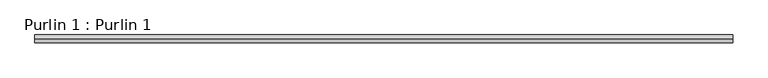
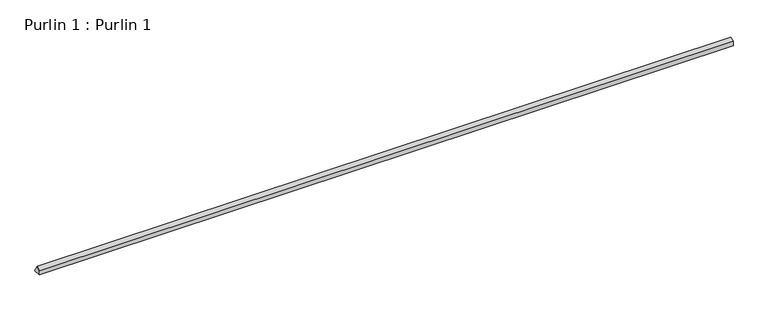
"""IFC4 building model written with IfcOpenShell, lengths in millimetres: proxy geometry, Purlin 1 : Purlin 1."""

from ifc_helpers import new_model, si_unit, frame, origin, place, context, project, spatial, polyline, outline, extrude, source, transform, mapped, element, save


def purlin_1_purlin_1_be9833b4(model_context):
    return source(origin(), model_context, "Body", "SweptSolid", [
        extrude(outline(polyline([(-22569.257695, -100.3926785), (-22569.257695, -45.6430593), (-22521.8754604, -18.2953333), (-22475.1727853, -99.1867393), (-22475.8615382, -99.5843909), (-22475.8615382, -100.3926785), (-22569.257695, -100.3926785)])), frame((8349.0184747, 0.0, 0.0), z_axis=(1.0, 0.0, 0.0), x_axis=(0.0, 1.0, 0.0)), (0.0, 0.0, 1.0), 8454.9913938),
    ])


if __name__ == "__main__":
    model = new_model("IFC4")
    model_context = context("Model", 3, world=origin())
    ifc_project = project(units=[si_unit("LENGTHUNIT", "METRE", prefix="MILLI")], contexts=[model_context])
    site = spatial("IfcSite", under=ifc_project)
    building = spatial("IfcBuilding", under=site)
    placement = place(None, origin())
    purlin_1_purlin_1_shape = purlin_1_purlin_1_be9833b4(model_context)
    element("IfcBuildingElementProxy", 1, Name="Purlin 1 : Purlin 1", ObjectType="Purlin 1 : Purlin 1", at=placement, inside=building, context=model_context, shape_type="MappedRepresentation", body=[
        mapped(purlin_1_purlin_1_shape, transform((0.0, 0.0, 0.0), x_axis=(1.0, 0.0, 0.0), y_axis=(0.0, 1.0, 0.0), z_axis=(0.0, 0.0, 1.0))),
    ])
    save(model, "model.ifc")
